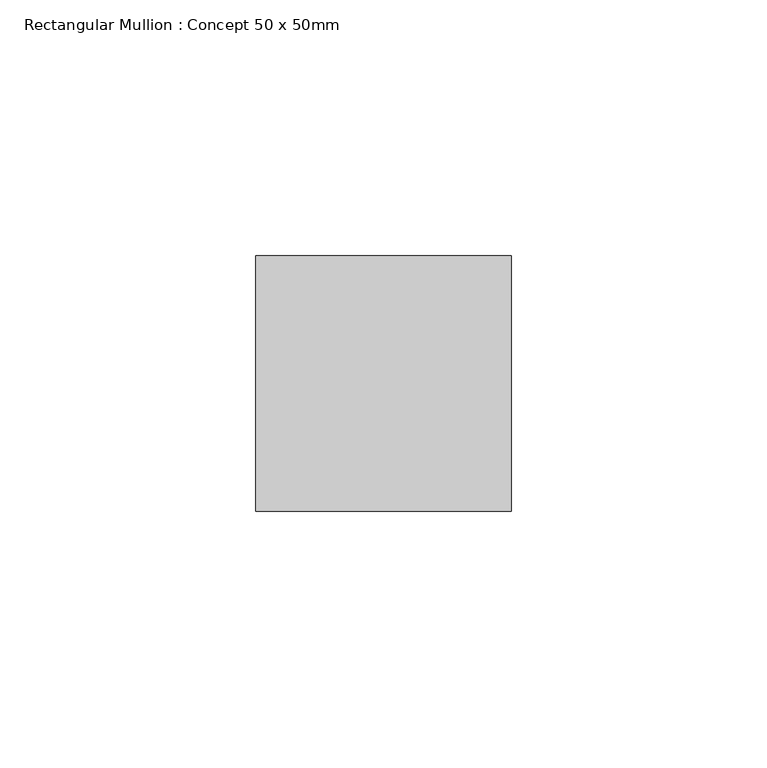
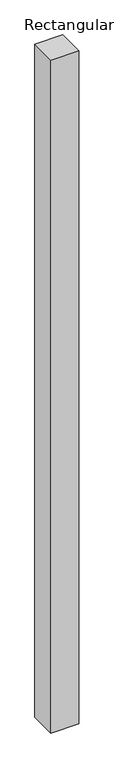
"""IFC4 building model written with IfcOpenShell, lengths in millimetres: member geometry, Rectangular Mullion : Concept 50 x 50mm."""

from ifc_helpers import new_model, si_unit, frame, origin, place, context, project, spatial, polyline, outline, extrude, source, transform, mapped, element, save


def rectangular_mullion_concept_50_x_50mm_bc7d3bc7(model_context):
    return source(origin(), model_context, "Body", "SweptSolid", [
        extrude(outline(polyline([(25.0, 50.0), (25.0, 0.0), (-25.0, 0.0), (-25.0, 50.0), (25.0, 50.0)])), frame((0.0, 0.0, -1278.1058359), z_axis=(0.0, 0.0, 1.0), x_axis=(1.0, 0.0, 0.0)), (0.0, 0.0, 1.0), 1278.1058359),
    ])


if __name__ == "__main__":
    model = new_model("IFC4")
    model_context = context("Model", 3, world=origin())
    ifc_project = project(units=[si_unit("LENGTHUNIT", "METRE", prefix="MILLI")], contexts=[model_context])
    site = spatial("IfcSite", under=ifc_project)
    building = spatial("IfcBuilding", under=site)
    placement = place(None, origin())
    rectangular_mullion_concept_50_x_50mm_shape = rectangular_mullion_concept_50_x_50mm_bc7d3bc7(model_context)
    element("IfcMember", 1, ObjectType="Rectangular Mullion : Concept 50 x 50mm", at=placement, inside=building, context=model_context, shape_type="MappedRepresentation", body=[
        mapped(rectangular_mullion_concept_50_x_50mm_shape, transform((0.0, 0.0, 0.0), x_axis=(1.0, 0.0, 0.0), y_axis=(0.0, 1.0, 0.0), z_axis=(0.0, 0.0, 1.0))),
    ])
    save(model, "model.ifc")
